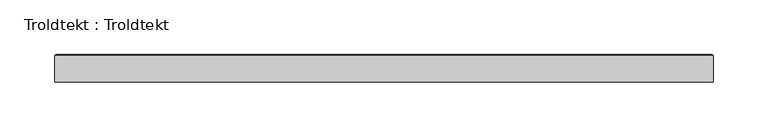
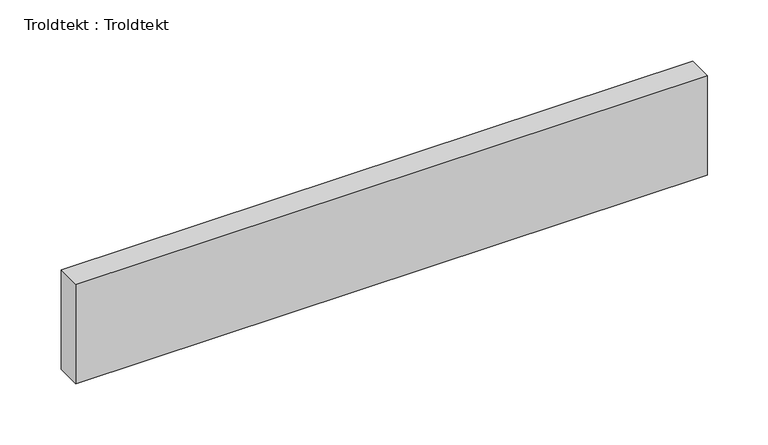
"""IFC4 building model written with IfcOpenShell, lengths in millimetres: proxy geometry, Troldtekt : Troldtekt."""

from ifc_helpers import new_model, si_unit, origin, place, context, project, spatial, faceted_brep, source, transform, mapped, element, save


def troldtekt_troldtekt_ee950a0a(model_context):
    return source(origin(), model_context, "Body", "Brep", [
        faceted_brep([(-300.0, -12.5, 100.0), (300.0, -12.5, 100.0), (300.0, 11.495044, 100.0), (-300.0, 11.495044, 100.0), (300.0, -12.5, 0.0), (-300.0, -12.5, 0.0), (-300.0, 11.495044, 0.0), (300.0, 11.495044, 0.0), (-298.995044, 12.5, 1.004956), (-298.995044, 12.5, 98.995044), (298.995044, 12.5, 98.995044), (298.995044, 12.5, 1.004956)], [[[0, 1, 2, 3]], [[4, 5, 6, 7]], [[8, 9, 10, 11]], [[5, 0, 3, 6]], [[1, 0, 5, 4]], [[1, 4, 7, 2]], [[8, 6, 3, 9]], [[6, 8, 11, 7]], [[7, 11, 10, 2]], [[2, 10, 9, 3]]]),
    ])


if __name__ == "__main__":
    model = new_model("IFC4")
    model_context = context("Model", 3, world=origin())
    ifc_project = project(units=[si_unit("LENGTHUNIT", "METRE", prefix="MILLI")], contexts=[model_context])
    site = spatial("IfcSite", under=ifc_project)
    building = spatial("IfcBuilding", under=site)
    placement = place(None, origin())
    troldtekt_troldtekt_shape = troldtekt_troldtekt_ee950a0a(model_context)
    element("IfcBuildingElementProxy", 1, Name="Troldtekt : Troldtekt", ObjectType="Troldtekt : Troldtekt", at=placement, inside=building, context=model_context, shape_type="MappedRepresentation", body=[
        mapped(troldtekt_troldtekt_shape, transform((0.0, 0.0, 0.0), x_axis=(1.0, 0.0, 0.0), y_axis=(0.0, 1.0, 0.0), z_axis=(0.0, 0.0, 1.0))),
    ])
    save(model, "model.ifc")
